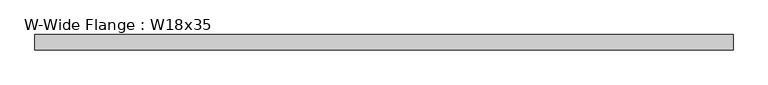
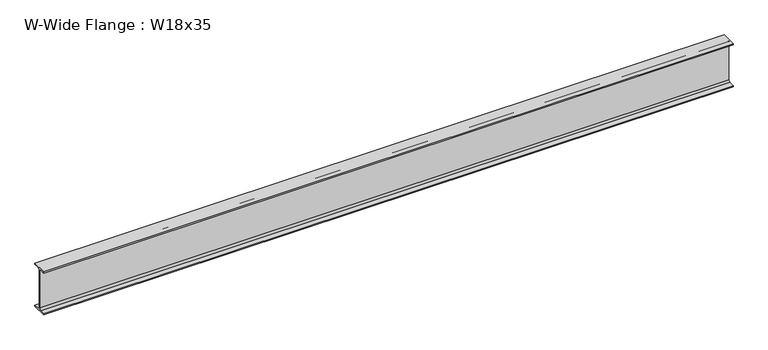
"""IFC4 building model written with IfcOpenShell, lengths in millimetres: beam geometry, W-Wide Flange : W18x35."""

import ifcopenshell
import ifcopenshell.guid

model = None  # the IFC model being written
_history = None  # IfcOwnerHistory: only IFC2X3 demands one
_inside = {}  # id of a spatial element -> (the spatial element, [elements in it])
_under = {}  # id of a project, library or spatial element -> (it, [spatial elements below it])
_declared = {}  # id of a project -> (the project, [libraries it declares])
_typed = {}  # id of a type object -> (the type object, [elements of that type])
_made_of = {}  # id of a material, layer set ... -> (it, [elements and type objects made of it])


def new_model(schema):
    """Start an empty IFC model of exactly this schema.

    Asked for "IFC4X3", IfcOpenShell would pick the latest addendum, in which some entities
    have other attributes; the version numbers below select the first issue.
    IFC2X3 requires an IfcOwnerHistory on every rooted entity: one is made here for all.
    """
    global model, _history
    if schema == "IFC4X3":
        model = ifcopenshell.file(schema_version=(4, 3, 0, 0))
    else:
        model = ifcopenshell.file(schema=schema)
    _inside.clear()
    _under.clear()
    _declared.clear()
    _typed.clear()
    _made_of.clear()
    _history = None
    if model.schema == "IFC2X3":
        org = make("IfcOrganization", Name="unknown")
        user = make(
            "IfcPersonAndOrganization",
            ThePerson=make("IfcPerson", FamilyName="unknown"),
            TheOrganization=org,
        )
        app = make(
            "IfcApplication",
            ApplicationDeveloper=org,
            Version="unknown",
            ApplicationFullName="unknown",
            ApplicationIdentifier="unknown",
        )
        _history = make(
            "IfcOwnerHistory",
            OwningUser=user,
            OwningApplication=app,
            ChangeAction="ADDED",
            CreationDate=0,
        )
    return model


def make(cls, **values):
    """One entity of the class cls with the attributes given. An attribute that is None is left unset."""
    return model.create_entity(
        cls, **{name: value for name, value in values.items() if value is not None}
    )


def rooted(cls, **values):
    """An entity with a GlobalId (a new one), such as an element, a storey or a relation."""
    return make(cls, GlobalId=ifcopenshell.guid.new(), OwnerHistory=_history, **values)


def si_unit(unit_type, name, prefix=None):
    """IfcSIUnit, for example si_unit("LENGTHUNIT", "METRE", prefix="MILLI")."""
    return make("IfcSIUnit", UnitType=unit_type, Prefix=prefix, Name=name)


def assignment(units):
    """IfcUnitAssignment: the units of a project."""
    return None if units is None else make("IfcUnitAssignment", Units=units)


def point(xyz):
    """IfcCartesianPoint."""
    return None if xyz is None else make("IfcCartesianPoint", Coordinates=xyz)


def direction(xyz):
    """IfcDirection."""
    return None if xyz is None else make("IfcDirection", DirectionRatios=xyz)


def frame(location, z_axis=None, x_axis=None):
    """IfcAxis2Placement3D, a coordinate frame: its origin and axes. An axis left out is left unset."""
    return make(
        "IfcAxis2Placement3D",
        Location=point(location),
        Axis=direction(z_axis),
        RefDirection=direction(x_axis),
    )


def frame_2d(location, x_axis=None):
    """IfcAxis2Placement2D, a coordinate frame in the plane: its origin and x axis."""
    return make(
        "IfcAxis2Placement2D", Location=point(location), RefDirection=direction(x_axis)
    )


def origin():
    """The frame at (0, 0, 0) with its axes left unset."""
    return frame((0.0, 0.0, 0.0))


def place(relative_to, where):
    """IfcLocalPlacement: puts the frame where relative to a parent placement (None: the world)."""
    return make(
        "IfcLocalPlacement", PlacementRelTo=relative_to, RelativePlacement=where
    )


def context(
    kind, dimensions, precision=None, world=None, true_north=None, identifier=None
):
    """IfcGeometricRepresentationContext, for example the 3D "Model" context."""
    return make(
        "IfcGeometricRepresentationContext",
        ContextIdentifier=identifier,
        ContextType=kind,
        CoordinateSpaceDimension=dimensions,
        Precision=precision,
        WorldCoordinateSystem=world,
        TrueNorth=true_north,
    )


def project(units=None, contexts=None):
    """IfcProject with its units and contexts."""
    return rooted(
        "IfcProject",
        Name="project",
        RepresentationContexts=contexts,
        UnitsInContext=assignment(units),
    )


def spatial(cls, under=None, at=None, **own):
    """A site, building, storey or space (cls), placed at a placement, below another one or the project."""
    s = rooted(cls, ObjectPlacement=at, **own)
    if under is not None:
        _under.setdefault(under.id(), (under, []))[1].append(s)
    return s


def polyline(points):
    """IfcPolyline through the points."""
    return make("IfcPolyline", Points=[point(p) for p in points])


def circle_curve(where, radius):
    """IfcCircle in the frame where."""
    return make("IfcCircle", Position=where, Radius=radius)


def trimmed(basis, trim1, trim2, sense, master):
    """IfcTrimmedCurve: the piece of a basis curve between two trims."""
    return make(
        "IfcTrimmedCurve",
        BasisCurve=basis,
        Trim1=trim1,
        Trim2=trim2,
        SenseAgreement=sense,
        MasterRepresentation=master,
    )


def segment(curve, same_sense, transition):
    """IfcCompositeCurveSegment."""
    return make(
        "IfcCompositeCurveSegment",
        Transition=transition,
        SameSense=same_sense,
        ParentCurve=curve,
    )


def composite_curve(segments, self_intersect=None):
    """IfcCompositeCurve: segments joined end to end."""
    return make("IfcCompositeCurve", Segments=segments, SelfIntersect=self_intersect)


def outline(outer, holes=None, kind="AREA"):
    """IfcArbitraryClosedProfileDef: a profile drawn as a closed curve; with holes, ...WithVoids."""
    if holes is None:
        return make("IfcArbitraryClosedProfileDef", ProfileType=kind, OuterCurve=outer)
    return make(
        "IfcArbitraryProfileDefWithVoids",
        ProfileType=kind,
        OuterCurve=outer,
        InnerCurves=holes,
    )


def extrude(swept, where, along, depth):
    """IfcExtrudedAreaSolid: the profile swept, set in the frame where, extruded along a direction by depth."""
    return make(
        "IfcExtrudedAreaSolid",
        SweptArea=swept,
        Position=where,
        ExtrudedDirection=direction(along),
        Depth=depth,
    )


def shape(context_of_items, identifier, shape_type, items):
    """IfcShapeRepresentation: the items that make up one representation, for example the "Body"."""
    return make(
        "IfcShapeRepresentation",
        ContextOfItems=context_of_items,
        RepresentationIdentifier=identifier,
        RepresentationType=shape_type,
        Items=items,
    )


def source(mapping_origin, context_of_items, identifier, shape_type, items):
    """IfcRepresentationMap: a shape defined once, which mapped items show again and again."""
    return make(
        "IfcRepresentationMap",
        MappingOrigin=mapping_origin,
        MappedRepresentation=shape(context_of_items, identifier, shape_type, items),
    )


def transform(
    local_origin,
    x_axis=None,
    y_axis=None,
    z_axis=None,
    scale=None,
    scale2=None,
    scale3=None,
    uniform=True,
):
    """IfcCartesianTransformationOperator3D, or its non-uniform kind. x_axis, y_axis, z_axis: its Axis1, 2, 3."""
    if uniform:
        return make(
            "IfcCartesianTransformationOperator3D",
            Axis1=direction(x_axis),
            Axis2=direction(y_axis),
            LocalOrigin=point(local_origin),
            Scale=scale,
            Axis3=direction(z_axis),
        )
    return make(
        "IfcCartesianTransformationOperator3DnonUniform",
        Axis1=direction(x_axis),
        Axis2=direction(y_axis),
        LocalOrigin=point(local_origin),
        Scale=scale,
        Axis3=direction(z_axis),
        Scale2=scale2,
        Scale3=scale3,
    )


def mapped(mapping_source, mapping_target):
    """IfcMappedItem: shows the shape of a source again, moved by a transform."""
    return make(
        "IfcMappedItem", MappingSource=mapping_source, MappingTarget=mapping_target
    )


def made_of(thing, what):
    """Note that an element or type object is made of a material, layer set ...; save() writes the relation."""
    if what is not None:
        _made_of.setdefault(what.id(), (what, []))[1].append(thing)
    return thing


def element(
    cls,
    number,
    at=None,
    inside=None,
    cuts=None,
    type_object=None,
    material=None,
    context=None,
    identifier="Body",
    shape_type=None,
    held_by="IfcProductDefinitionShape",
    body=None,
    shapes=None,
    **own,
):
    """One element of the class cls, such as IfcWall. Its Tag is "e" and its number.

    at: its placement. inside: the storey or other place that contains it. cuts: it is an
    opening in that element (IfcRelVoidsElement). A single representation is given by context,
    identifier, shape_type and body (its items); several are given by shapes. held_by: the class
    of the entity that holds the representations. save() writes the other relations.
    """
    e = rooted(cls, Tag="e%d" % number, ObjectPlacement=at, **own)
    if body is not None:
        shapes = [shape(context, identifier, shape_type, body)]
    if shapes is not None:
        e.Representation = make(held_by, Representations=shapes)
    if inside is not None:
        _inside.setdefault(inside.id(), (inside, []))[1].append(e)
    if cuts is not None:
        rooted(
            "IfcRelVoidsElement", RelatingBuildingElement=cuts, RelatedOpeningElement=e
        )
    if type_object is not None:
        _typed.setdefault(type_object.id(), (type_object, []))[1].append(e)
    return made_of(e, material)


def aggregate(whole, parts):
    """IfcRelAggregates: a whole, such as a stair, and the parts it consists of."""
    return rooted("IfcRelAggregates", RelatingObject=whole, RelatedObjects=parts)


def save(model, path):
    """Write the relations noted so far, then the file.

    IfcRelAggregates (storeys below a building ...), IfcRelContainedInSpatialStructure (elements
    in a storey), IfcRelDefinesByType, IfcRelAssociatesMaterial and IfcRelDeclares: one each for
    every whole, place, type object, material and project.
    """
    for whole, parts in _under.values():
        aggregate(whole, parts)
    for where, things in _inside.values():
        rooted(
            "IfcRelContainedInSpatialStructure",
            RelatedElements=things,
            RelatingStructure=where,
        )
    for kind, things in _typed.values():
        rooted("IfcRelDefinesByType", RelatedObjects=things, RelatingType=kind)
    for what, things in _made_of.values():
        rooted("IfcRelAssociatesMaterial", RelatedObjects=things, RelatingMaterial=what)
    for by, libraries in _declared.values():
        rooted("IfcRelDeclares", RelatingContext=by, RelatedDefinitions=libraries)
    model.write(path)


def w_wide_flange_w18x35_54c69e79(model_context):
    return source(origin(), model_context, "Body", "SweptSolid", [
        extrude(outline(composite_curve([segment(polyline([(76.2, -213.995), (76.2, -224.79), (-76.2, -224.79), (-76.2, -213.995), (-21.59, -213.995)]), True, "CONTINUOUS"), segment(trimmed(circle_curve(frame_2d((-21.59, -196.215)), 17.78), [point((-21.59, -213.995))], [point((-3.81, -196.215))], True, "CARTESIAN"), True, "CONTINUOUS"), segment(polyline([(-3.81, -196.215), (-3.81, 196.215)]), True, "CONTINUOUS"), segment(trimmed(circle_curve(frame_2d((-21.59, 196.215)), 17.78), [point((-3.81, 196.215))], [point((-21.59, 213.995))], True, "CARTESIAN"), True, "CONTINUOUS"), segment(polyline([(-21.59, 213.995), (-76.2, 213.995), (-76.2, 224.79), (76.2, 224.79), (76.2, 213.995), (21.59, 213.995)]), True, "CONTINUOUS"), segment(trimmed(circle_curve(frame_2d((21.59, 196.215)), 17.78), [point((21.59, 213.995))], [point((3.81, 196.215))], True, "CARTESIAN"), True, "CONTINUOUS"), segment(polyline([(3.81, 196.215), (3.81, -196.215)]), True, "CONTINUOUS"), segment(trimmed(circle_curve(frame_2d((21.59, -196.215)), 17.78), [point((3.81, -196.215))], [point((21.59, -213.995))], True, "CARTESIAN"), True, "CONTINUOUS"), segment(polyline([(21.59, -213.995), (76.2, -213.995)]), True, "CONTINUOUS")], self_intersect=False)), frame((-3442.9513955, 0.0, 0.0), z_axis=(1.0, 0.0, 0.0), x_axis=(0.0, 1.0, 0.0)), (0.0, 0.0, 1.0), 6835.14),
    ])


if __name__ == "__main__":
    model = new_model("IFC4")
    model_context = context("Model", 3, world=origin())
    ifc_project = project(units=[si_unit("LENGTHUNIT", "METRE", prefix="MILLI")], contexts=[model_context])
    site = spatial("IfcSite", under=ifc_project)
    building = spatial("IfcBuilding", under=site)
    placement = place(None, origin())
    w_wide_flange_w18x35_shape = w_wide_flange_w18x35_54c69e79(model_context)
    element("IfcBeam", 1, ObjectType="W-Wide Flange : W18x35", at=placement, inside=building, context=model_context, shape_type="MappedRepresentation", body=[
        mapped(w_wide_flange_w18x35_shape, transform((0.0, 0.0, 0.0), x_axis=(1.0, 0.0, 0.0), y_axis=(0.0, 1.0, 0.0), z_axis=(0.0, 0.0, 1.0))),
    ])
    save(model, "model.ifc")
